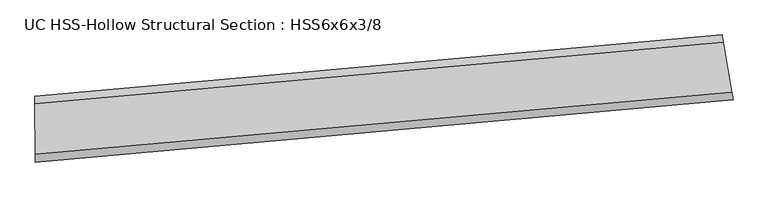
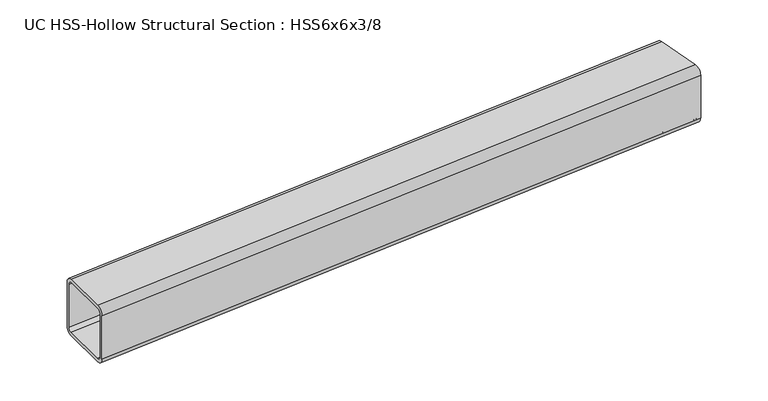
"""IFC4 building model written with IfcOpenShell, lengths in millimetres: beam geometry, UC HSS-Hollow Structural Section : HSS6x6x3/8."""

from ifc_helpers import new_model, si_unit, point, frame, origin, place, context, project, spatial, polyline, circle_curve, ellipse_curve, trimmed, source, transform, mapped, element, save
from ifc_brep_helpers import plane_surface, cylinder_surface, revolved_surface, advanced_brep


def uc_hss_hollow_structural_section_hss6x6x3_8_6f183ee3(model_context):
    return source(origin(), model_context, "Body", "AdvancedBrep", [
        advanced_brep(
        [(1707.9246519, 68.9289654, 58.4708), (1707.9246519, 68.9289654, -58.4708), (1704.9332143, 86.4039713, -76.2), (1685.2017263, 201.6689105, -76.2), (1682.2102887, 219.1439165, -58.4708), (1682.2102887, 219.1439165, 58.4708), (1685.2017263, 201.6689105, 76.2), (1704.9332143, 86.4039713, 76.2), (1685.2017263, 201.6689105, 67.3354), (1683.7060075, 210.4064135, 58.4708), (1683.7060075, 210.4064135, -58.4708), (1685.2017263, 201.6689105, -67.3354), (1704.9332143, 86.4039713, -67.3354), (1706.4289331, 77.6664684, -58.4708), (1706.4289331, 77.6664684, 58.4708), (1704.9332143, 86.4039713, 67.3354), (88.9126593, -75.809494, 58.4708), (88.7569284, -58.080978, 76.2), (87.7297291, 58.8561105, 76.2), (87.5739982, 76.5846265, 58.4708), (87.5739982, 76.5846265, -58.4708), (87.7297291, 58.8561105, -76.2), (88.7569284, -58.080978, -76.2), (88.9126593, -75.809494, -58.4708), (87.7297291, 58.8561105, 67.3354), (88.7569284, -58.080978, 67.3354), (88.8347939, -66.945236, 58.4708), (88.8347939, -66.945236, -58.4708), (88.7569284, -58.080978, -67.3354), (87.7297291, 58.8561105, -67.3354), (87.6518636, 67.7203685, -58.4708), (87.6518636, 67.7203685, 58.4708)],
        [
            (0, 1),
            (1, 2, circle_curve(frame((1704.9332143, 86.4039713, -58.4708), z_axis=(0.9856624086409548, 0.16872941709171901, 0.0), x_axis=(-0.16872941709171901, 0.9856624086409548, 0.0)), 17.7292)),
            (2, 3),
            (3, 4, circle_curve(frame((1685.2017263, 201.6689105, -58.4708), z_axis=(0.9856624086409548, 0.16872941709171901, 0.0), x_axis=(-0.16872941709171901, 0.9856624086409548, 0.0)), 17.7292)),
            (4, 5),
            (5, 6, circle_curve(frame((1685.2017263, 201.6689105, 58.4708), z_axis=(0.9856624086409548, 0.16872941709171901, 0.0), x_axis=(-0.16872941709171901, 0.9856624086409548, 0.0)), 17.7292)),
            (6, 7),
            (7, 0, circle_curve(frame((1704.9332143, 86.4039713, 58.4708), z_axis=(0.9856624086409548, 0.16872941709171901, 0.0), x_axis=(-0.16872941709171901, 0.9856624086409548, 0.0)), 17.7292)),
            (8, 9, circle_curve(frame((1685.2017263, 201.6689105, 58.4708), z_axis=(-0.9856624086409548, -0.16872941709171901, 0.0), x_axis=(-0.16872941709171901, 0.9856624086409548, 0.0)), 8.8646)),
            (9, 10),
            (10, 11, circle_curve(frame((1685.2017263, 201.6689105, -58.4708), z_axis=(-0.9856624086409548, -0.16872941709171901, 0.0), x_axis=(-0.16872941709171901, 0.9856624086409548, 0.0)), 8.8646)),
            (11, 12),
            (12, 13, circle_curve(frame((1704.9332143, 86.4039713, -58.4708), z_axis=(-0.9856624086409548, -0.16872941709171901, 0.0), x_axis=(-0.16872941709171901, 0.9856624086409548, 0.0)), 8.8646)),
            (13, 14),
            (14, 15, circle_curve(frame((1704.9332143, 86.4039713, 58.4708), z_axis=(-0.9856624086409548, -0.16872941709171901, 0.0), x_axis=(-0.16872941709171901, 0.9856624086409548, 0.0)), 8.8646)),
            (15, 8),
            (16, 17, circle_curve(frame((88.7569284, -58.080978, 58.4708), z_axis=(-0.9999614211053971, -0.008783865941303093, 0.0), x_axis=(-0.008783865941303093, 0.9999614211053971, 0.0)), 17.7292)),
            (17, 18),
            (18, 19, circle_curve(frame((87.7297291, 58.8561105, 58.4708), z_axis=(-0.9999614211053971, -0.008783865941303093, 0.0), x_axis=(-0.008783865941303093, 0.9999614211053971, 0.0)), 17.7292)),
            (19, 20),
            (20, 21, circle_curve(frame((87.7297291, 58.8561105, -58.4708), z_axis=(-0.9999614211053971, -0.008783865941303093, 0.0), x_axis=(-0.008783865941303093, 0.9999614211053971, 0.0)), 17.7292)),
            (21, 22),
            (22, 23, circle_curve(frame((88.7569284, -58.080978, -58.4708), z_axis=(-0.9999614211053971, -0.008783865941303093, 0.0), x_axis=(-0.008783865941303093, 0.9999614211053971, 0.0)), 17.7292)),
            (23, 16),
            (24, 25),
            (25, 26, circle_curve(frame((88.7569284, -58.080978, 58.4708), z_axis=(0.9999614211053971, 0.008783865941303093, 0.0), x_axis=(-0.008783865941303093, 0.9999614211053971, 0.0)), 8.8646)),
            (26, 27),
            (27, 28, circle_curve(frame((88.7569284, -58.080978, -58.4708), z_axis=(0.9999614211053971, 0.008783865941303093, 0.0), x_axis=(-0.008783865941303093, 0.9999614211053971, 0.0)), 8.8646)),
            (28, 29),
            (29, 30, circle_curve(frame((87.7297291, 58.8561105, -58.4708), z_axis=(0.9999614211053971, 0.008783865941303093, 0.0), x_axis=(-0.008783865941303093, 0.9999614211053971, 0.0)), 8.8646)),
            (30, 31),
            (31, 24, circle_curve(frame((87.7297291, 58.8561105, 58.4708), z_axis=(0.9999614211053971, 0.008783865941303093, 0.0), x_axis=(-0.008783865941303093, 0.9999614211053971, 0.0)), 8.8646)),
            (7, 17, circle_curve(frame((0.0, 10046.0696155, 76.2), z_axis=(0.0, 0.0, -1.0), x_axis=(-0.5140973030583534, 0.8577318712675468, 0.0)), 10104.5404155)),
            (16, 0, circle_curve(frame((0.0, 10046.0696155, 58.4708), z_axis=(0.0, 0.0, 1.0), x_axis=(-0.5140973030583534, 0.8577318712675468, 0.0)), 10122.2696155)),
            (6, 18, circle_curve(frame((0.0, 10046.0696155, 76.2), z_axis=(0.0, 0.0, -1.0), x_axis=(-0.5140973030583534, 0.8577318712675468, 0.0)), 9987.5988155)),
            (5, 19, circle_curve(frame((0.0, 10046.0696155, 58.4708), z_axis=(0.0, 0.0, -1.0), x_axis=(-0.5140973030583534, 0.8577318712675468, 0.0)), 9969.8696155)),
            (4, 20, circle_curve(frame((0.0, 10046.0696155, -58.4708), z_axis=(0.0, 0.0, -1.0), x_axis=(-0.5140973030583534, 0.8577318712675468, 0.0)), 9969.8696155)),
            (3, 21, circle_curve(frame((0.0, 10046.0696155, -76.2), z_axis=(0.0, 0.0, -1.0), x_axis=(-0.5140973030583534, 0.8577318712675468, 0.0)), 9987.5988155)),
            (2, 22, circle_curve(frame((0.0, 10046.0696155, -76.2), z_axis=(0.0, 0.0, -1.0), x_axis=(-0.5140973030583534, 0.8577318712675468, 0.0)), 10104.5404155)),
            (1, 23, circle_curve(frame((0.0, 10046.0696155, -58.4708), z_axis=(0.0, 0.0, -1.0), x_axis=(-0.5140973030583534, 0.8577318712675468, 0.0)), 10122.2696155)),
            (15, 25, circle_curve(frame((0.0, 10046.0696155, 67.3354), z_axis=(0.0, 0.0, -1.0), x_axis=(-0.5140973030583534, 0.8577318712675468, 0.0)), 10104.5404155)),
            (24, 8, circle_curve(frame((0.0, 10046.0696155, 67.3354), z_axis=(0.0, 0.0, 1.0), x_axis=(-0.5140973030583534, 0.8577318712675468, 0.0)), 9987.5988155)),
            (14, 26, circle_curve(frame((0.0, 10046.0696155, 58.4708), z_axis=(0.0, 0.0, -1.0), x_axis=(-0.5140973030583534, 0.8577318712675468, 0.0)), 10113.4050155)),
            (13, 27, circle_curve(frame((0.0, 10046.0696155, -58.4708), z_axis=(0.0, 0.0, -1.0), x_axis=(-0.5140973030583534, 0.8577318712675468, 0.0)), 10113.4050155)),
            (12, 28, circle_curve(frame((0.0, 10046.0696155, -67.3354), z_axis=(0.0, 0.0, -1.0), x_axis=(-0.5140973030583534, 0.8577318712675468, 0.0)), 10104.5404155)),
            (11, 29, circle_curve(frame((0.0, 10046.0696155, -67.3354), z_axis=(0.0, 0.0, -1.0), x_axis=(-0.5140973030583534, 0.8577318712675468, 0.0)), 9987.5988155)),
            (10, 30, circle_curve(frame((0.0, 10046.0696155, -58.4708), z_axis=(0.0, 0.0, -1.0), x_axis=(-0.5140973030583534, 0.8577318712675468, 0.0)), 9978.7342155)),
            (9, 31, circle_curve(frame((0.0, 10046.0696155, 58.4708), z_axis=(0.0, 0.0, -1.0), x_axis=(-0.5140973030583534, 0.8577318712675468, 0.0)), 9978.7342155)),
        ],
        [
            plane_surface(frame((1695.0674703, 144.0364409, 0.0), z_axis=(0.9856624086409538, 0.16872941709172534, 0.0), x_axis=(0.0, 0.0, 1.0))),
            plane_surface(frame((88.2433287, 0.3875663, 0.0), z_axis=(-0.999961421105397, -0.008783865941309477, 0.0), x_axis=(0.0, 0.0, 1.0))),
            revolved_surface(trimmed(ellipse_curve(frame((-5194.7169763, 18713.0559744, 58.4708), z_axis=(-0.8577318712675501, -0.5140973030583479, 0.0), x_axis=(0.5140973030583479, -0.8577318712675501, 0.0)), 17.7292, 17.7292), [point((-5194.7169763, 18713.0559744, 76.2))], [point((-5203.8315102, 18728.2628743, 58.4708))], True, "CARTESIAN"), (0.0, 10046.0696155, 0.0), (0.0, 0.0, -1.0)),
            plane_surface(frame((0.0, 10046.0696155, 76.2), z_axis=(0.0, 0.0, 1.0), x_axis=(-0.5140973030583534, 0.8577318712675468, 0.0))),
            revolved_surface(trimmed(ellipse_curve(frame((-5134.5976151, 18612.7514371, 58.4708), z_axis=(-0.8577318712675501, -0.5140973030583479, 0.0), x_axis=(0.5140973030583479, -0.8577318712675501, 0.0)), 17.7292, 17.7292), [point((-5125.4830812, 18597.5445372, 58.4708))], [point((-5134.5976151, 18612.7514371, 76.2))], True, "CARTESIAN"), (0.0, 10046.0696155, 0.0), (0.0, 0.0, -1.0)),
            revolved_surface(polyline([(-5125.483081171973, 18597.544537096273, -58.4708), (-5125.483081171973, 18597.544537096273, 58.4708)]), (0.0, 10046.0696155, 0.0), (0.0, 0.0, -1.0)),
            revolved_surface(trimmed(ellipse_curve(frame((-5134.5976151, 18612.7514371, -58.4708), z_axis=(-0.8577318712675501, -0.5140973030583479, 0.0), x_axis=(0.5140973030583479, -0.8577318712675501, 0.0)), 17.7292, 17.7292), [point((-5134.5976151, 18612.7514371, -76.2))], [point((-5125.4830812, 18597.5445372, -58.4708))], True, "CARTESIAN"), (0.0, 10046.0696155, 0.0), (0.0, 0.0, -1.0)),
            plane_surface(frame((0.0, 10046.0696155, -76.2), z_axis=(0.0, 0.0, -1.0), x_axis=(-0.5140973030583534, 0.8577318712675468, 0.0))),
            revolved_surface(trimmed(ellipse_curve(frame((-5194.7169763, 18713.0559744, -58.4708), z_axis=(-0.8577318712675501, -0.5140973030583479, 0.0), x_axis=(0.5140973030583479, -0.8577318712675501, 0.0)), 17.7292, 17.7292), [point((-5203.8315102, 18728.2628743, -58.4708))], [point((-5194.7169763, 18713.0559744, -76.2))], True, "CARTESIAN"), (0.0, 10046.0696155, 0.0), (0.0, 0.0, -1.0)),
            cylinder_surface(frame((0.0, 10046.0696155, 0.0), z_axis=(0.0, 0.0, -1.0), x_axis=(-0.5140973030583534, 0.8577318712675468, 0.0)), 10122.2696155),
            plane_surface(frame((0.0, 10046.0696155, 67.3354), z_axis=(0.0, 0.0, -1.0), x_axis=(-0.5140973030583534, 0.8577318712675468, 0.0))),
            revolved_surface(trimmed(ellipse_curve(frame((-5194.7169763, 18713.0559744, 58.4708), z_axis=(0.8577318712675501, 0.5140973030583479, 0.0), x_axis=(0.5140973030583479, -0.8577318712675501, 0.0)), 8.8646, 8.8646), [point((-5199.2742432, 18720.6594244, 58.4708))], [point((-5194.7169763, 18713.0559744, 67.3354))], True, "CARTESIAN"), (0.0, 10046.0696155, 0.0), (0.0, 0.0, -1.0)),
            revolved_surface(polyline([(-5199.274243205376, 18720.65942433141, -58.4708), (-5199.274243205376, 18720.65942433141, 58.4708)]), (0.0, 10046.0696155, 0.0), (0.0, 0.0, -1.0)),
            revolved_surface(trimmed(ellipse_curve(frame((-5194.7169763, 18713.0559744, -58.4708), z_axis=(0.8577318712675501, 0.5140973030583479, 0.0), x_axis=(0.5140973030583479, -0.8577318712675501, 0.0)), 8.8646, 8.8646), [point((-5194.7169763, 18713.0559744, -67.3354))], [point((-5199.2742432, 18720.6594244, -58.4708))], True, "CARTESIAN"), (0.0, 10046.0696155, 0.0), (0.0, 0.0, -1.0)),
            plane_surface(frame((0.0, 10046.0696155, -67.3354), z_axis=(0.0, 0.0, 1.0), x_axis=(-0.5140973030583534, 0.8577318712675468, 0.0))),
            revolved_surface(trimmed(ellipse_curve(frame((-5134.5976151, 18612.7514371, -58.4708), z_axis=(0.8577318712675501, 0.5140973030583479, 0.0), x_axis=(0.5140973030583479, -0.8577318712675501, 0.0)), 8.8646, 8.8646), [point((-5130.0403481, 18605.1479871, -58.4708))], [point((-5134.5976151, 18612.7514371, -67.3354))], True, "CARTESIAN"), (0.0, 10046.0696155, 0.0), (0.0, 0.0, -1.0)),
            cylinder_surface(frame((0.0, 10046.0696155, 0.0), z_axis=(0.0, 0.0, -1.0), x_axis=(-0.5140973030583534, 0.8577318712675468, 0.0)), 9978.7342155),
            revolved_surface(trimmed(ellipse_curve(frame((-5134.5976151, 18612.7514371, 58.4708), z_axis=(0.8577318712675501, 0.5140973030583479, 0.0), x_axis=(0.5140973030583479, -0.8577318712675501, 0.0)), 8.8646, 8.8646), [point((-5134.5976151, 18612.7514371, 67.3354))], [point((-5130.0403481, 18605.1479871, 58.4708))], True, "CARTESIAN"), (0.0, 10046.0696155, 0.0), (0.0, 0.0, -1.0)),
        ],
        [
            (0, [[1, 2, 3, 4, 5, 6, 7, 8], [9, 10, 11, 12, 13, 14, 15, 16]]),
            (1, [[17, 18, 19, 20, 21, 22, 23, 24], [25, 26, 27, 28, 29, 30, 31, 32]]),
            (2, [[33, -17, 34, -8]]),
            (3, [[35, -18, -33, -7]]),
            (4, [[36, -19, -35, -6]]),
            (5, [[37, -20, -36, -5]]),
            (6, [[38, -21, -37, -4]]),
            (7, [[39, -22, -38, -3]]),
            (8, [[40, -23, -39, -2]]),
            (9, [[-34, -24, -40, -1]]),
            (10, [[41, -25, 42, -16]]),
            (11, [[43, -26, -41, -15]]),
            (12, [[44, -27, -43, -14]]),
            (13, [[45, -28, -44, -13]]),
            (14, [[46, -29, -45, -12]]),
            (15, [[47, -30, -46, -11]]),
            (16, [[48, -31, -47, -10]]),
            (17, [[-42, -32, -48, -9]]),
        ],
    ),
    ])


if __name__ == "__main__":
    model = new_model("IFC4")
    model_context = context("Model", 3, world=origin())
    ifc_project = project(units=[si_unit("LENGTHUNIT", "METRE", prefix="MILLI")], contexts=[model_context])
    site = spatial("IfcSite", under=ifc_project)
    building = spatial("IfcBuilding", under=site)
    placement = place(None, origin())
    uc_hss_hollow_structural_section_hss6x6x3_8_shape = uc_hss_hollow_structural_section_hss6x6x3_8_6f183ee3(model_context)
    element("IfcBeam", 1, ObjectType="UC HSS-Hollow Structural Section : HSS6x6x3/8", at=placement, inside=building, context=model_context, shape_type="MappedRepresentation", body=[
        mapped(uc_hss_hollow_structural_section_hss6x6x3_8_shape, transform((0.0, 0.0, 0.0), x_axis=(1.0, 0.0, 0.0), y_axis=(0.0, 1.0, 0.0), z_axis=(0.0, 0.0, 1.0))),
    ])
    save(model, "model.ifc")
